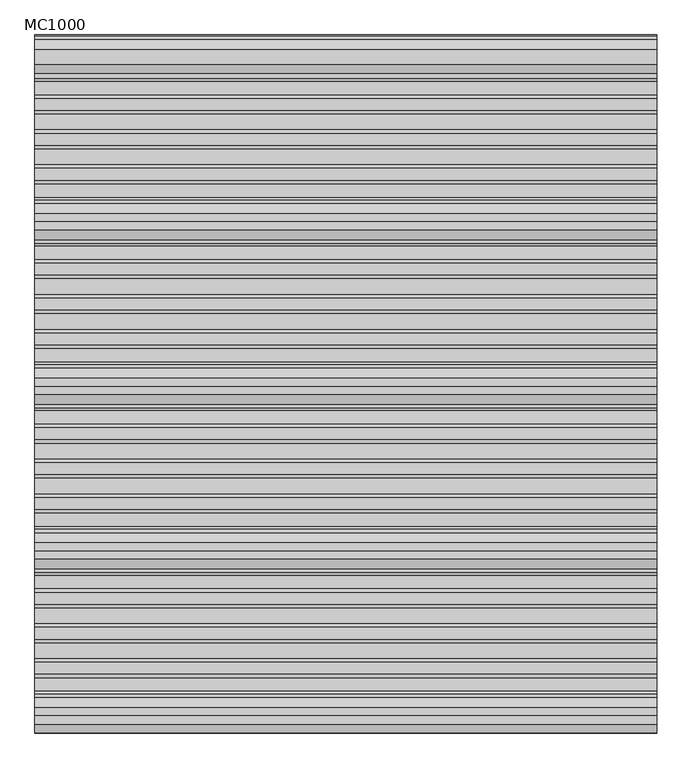
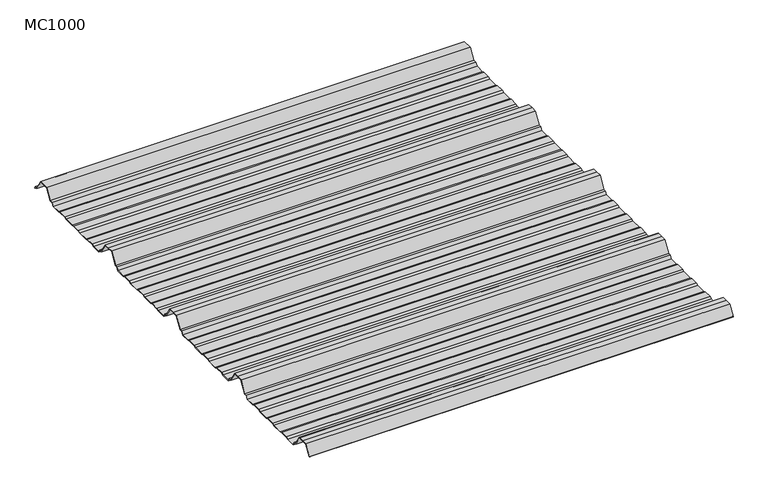
"""IFC4 building model written with IfcOpenShell, lengths in millimetres: beam geometry, MC1000."""

from ifc_helpers import new_model, si_unit, point, frame, frame_2d, origin, place, context, project, spatial, polyline, circle_curve, trimmed, segment, composite_curve, outline, extrude, source, transform, mapped, element, save


def mc1000_c13113bc(model_context):
    return source(origin(), model_context, "Body", "SweptSolid", [
        extrude(outline(composite_curve([segment(polyline([(-187.0338322, -23.7896472), (-192.5, -25.7896478), (-213.5, -25.7896478), (-217.6210251, -19.1370213), (-222.9746775, -19.1370213), (-238.0568616, 5.2103522), (-250.0, 5.2103522), (-261.9431384, 5.2103522), (-277.0253225, -19.1370213), (-282.3789749, -19.1370213), (-286.5, -25.7896478), (-307.5, -25.7896478), (-312.9661678, -23.7896476), (-330.9151087, -23.7896476), (-336.3812767, -25.7896478), (-360.5593616, -25.7896478), (-366.0255296, -23.7896476), (-383.97447, -23.7896476), (-389.4406384, -25.7896478), (-413.6187233, -25.7896478), (-419.0848913, -23.7896476), (-437.0338322, -23.7896476), (-442.5, -25.7896478), (-463.5, -25.7896478), (-467.6210251, -19.1370213), (-472.9746775, -19.1370213), (-488.0568616, 5.2103522), (-500.0, 5.2103522), (-511.9431384, 5.2103522), (-527.0253225, -19.1370213), (-532.3789749, -19.1370213), (-536.5, -25.7896478), (-557.5, -25.7896478), (-562.9661678, -23.789648), (-580.9151087, -23.789648), (-586.3812767, -25.7896482), (-610.5593616, -25.7896482), (-616.0255296, -23.7896476), (-633.97447, -23.7896476), (-639.4406384, -25.7896478), (-663.6187233, -25.7896478), (-669.0848913, -23.7896476), (-687.0338322, -23.7896476), (-692.5, -25.7896478), (-713.5, -25.7896478), (-717.6210251, -19.1370213), (-722.9746775, -19.1370213), (-738.0568616, 5.2103522), (-750.0, 5.2103522), (-761.9431384, 5.2103522), (-777.0253225, -19.1370213), (-782.3789749, -19.1370213), (-786.5, -25.7896478), (-807.5, -25.7896478), (-812.9661678, -23.7896476), (-830.9151087, -23.7896476), (-836.3812767, -25.7896478), (-860.5593616, -25.7896478), (-866.0255296, -23.7896476), (-883.97447, -23.7896476), (-889.4406384, -25.7896478), (-913.6187233, -25.7896478), (-919.0848913, -23.7896476), (-937.0338322, -23.7896476), (-942.5, -25.7896478), (-963.5, -25.7896478), (-967.6210251, -19.1370213), (-972.9746775, -19.1370213), (-988.0568616, 5.2103522), (-1000.0, 5.2103522), (-1011.9431384, 5.2103522), (-1025.3430666, -16.4213329)]), True, "CONTINUOUS"), segment(trimmed(circle_curve(frame_2d((-1025.768121, -16.1580294)), 0.5), [point((-1025.3430666, -16.4213329))], [point((-1026.1931754, -15.8947259))], False, "CARTESIAN"), True, "CONTINUOUS"), segment(polyline([(-1026.1931754, -15.8947259), (-1012.5, 6.2103522), (-1000.0, 6.2103522), (-987.5, 6.2103522), (-972.4178159, -18.1370213), (-967.0641635, -18.1370213), (-962.9431384, -24.7896478), (-942.6771992, -24.7896478), (-937.2110314, -22.7896476), (-918.9076926, -22.7896476), (-913.4415242, -24.7896478), (-889.6178376, -24.7896478), (-884.1516696, -22.7896478), (-865.8483309, -22.7896478), (-860.3821624, -24.7896478), (-836.5584758, -24.7896478), (-831.0923074, -22.7896476), (-812.7889686, -22.7896476), (-807.3228008, -24.7896478), (-787.0568616, -24.7896478), (-782.9358365, -18.1370213), (-777.5821841, -18.1370213), (-762.5, 6.2103522), (-750.0, 6.2103522), (-737.5, 6.2103522), (-722.4178159, -18.1370213), (-717.0641635, -18.1370213), (-712.9431384, -24.7896478), (-692.6771992, -24.7896478), (-687.2110314, -22.7896476), (-668.9076926, -22.7896476), (-663.4415242, -24.7896478), (-639.6178376, -24.7896478), (-634.1516696, -22.7896478), (-615.8483309, -22.7896478), (-610.3821624, -24.7896482), (-586.5584758, -24.7896482), (-581.0923074, -22.789648), (-562.7889686, -22.789648), (-557.3228008, -24.7896478), (-537.0568616, -24.7896478), (-532.9358365, -18.1370213), (-527.5821841, -18.1370213), (-512.5, 6.2103522), (-500.0, 6.2103522), (-487.5, 6.2103522), (-472.4178159, -18.1370213), (-467.0641635, -18.1370213), (-462.9431384, -24.7896478), (-442.6771992, -24.7896478), (-437.2110314, -22.7896476), (-418.9076926, -22.7896476), (-413.4415242, -24.7896478), (-389.6178376, -24.7896478), (-384.1516696, -22.7896478), (-365.8483309, -22.7896478), (-360.3821624, -24.7896478), (-336.5584758, -24.7896478), (-331.0923074, -22.7896476), (-312.7889686, -22.7896476), (-307.3228008, -24.7896478), (-287.0568616, -24.7896478), (-282.9358365, -18.1370213), (-277.5821841, -18.1370213), (-262.5, 6.2103522), (-250.0, 6.2103522), (-237.5, 6.2103522), (-222.4178159, -18.1370213), (-217.0641635, -18.1370213), (-212.9431384, -24.7896478), (-192.6771992, -24.7896478), (-187.2110314, -22.7896472), (-168.9076926, -22.7896472), (-163.4415242, -24.7896475), (-139.6178376, -24.7896475), (-134.1516696, -22.7896474), (-115.8483309, -22.7896474), (-110.3821624, -24.7896475), (-86.5584758, -24.7896475), (-81.0923074, -22.7896476), (-62.7889686, -22.7896476), (-57.3228008, -24.7896478), (-37.0568616, -24.7896478), (-32.9358365, -18.1370213), (-25.2295442, -18.1370213), (-11.3862768, 4.2103522), (11.3862768, 4.2103522), (26.4684609, -20.1370213), (31.8221133, -20.1370213), (33.8767469, -23.4538441)]), True, "CONTINUOUS"), segment(trimmed(circle_curve(frame_2d((33.4516925, -23.7171476)), 0.5), [point((33.8767469, -23.4538441))], [point((33.0266381, -23.9804511))], False, "CARTESIAN"), True, "CONTINUOUS"), segment(polyline([(33.0266381, -23.9804511), (31.2652517, -21.1370213), (25.9115993, -21.1370213), (10.8294152, 3.2103522), (-10.8294152, 3.2103522), (-24.6726825, -19.1370213), (-32.3789749, -19.1370213), (-36.5, -25.7896478), (-57.5, -25.7896478), (-62.9661678, -23.7896476), (-80.9151087, -23.7896476), (-86.3812767, -25.7896475), (-110.5593616, -25.7896475), (-116.0255296, -23.7896472), (-133.97447, -23.7896472), (-139.4406384, -25.7896475), (-163.6187233, -25.7896475), (-169.0848913, -23.7896472), (-187.0338322, -23.7896472)]), True, "CONTINUOUS")], self_intersect=False)), frame((-472.5002337, 0.0, 0.0), z_axis=(1.0, 0.0, 0.0), x_axis=(0.0, 1.0, 0.0)), (0.0, 0.0, 1.0), 945.0004675),
    ])


if __name__ == "__main__":
    model = new_model("IFC4")
    model_context = context("Model", 3, world=origin())
    ifc_project = project(units=[si_unit("LENGTHUNIT", "METRE", prefix="MILLI")], contexts=[model_context])
    site = spatial("IfcSite", under=ifc_project)
    building = spatial("IfcBuilding", under=site)
    placement = place(None, origin())
    mc1000_shape = mc1000_c13113bc(model_context)
    element("IfcBeam", 1, ObjectType="MC1000", at=placement, inside=building, context=model_context, shape_type="MappedRepresentation", body=[
        mapped(mc1000_shape, transform((0.0, 0.0, 0.0), x_axis=(1.0, 0.0, 0.0), y_axis=(0.0, 1.0, 0.0), z_axis=(0.0, 0.0, 1.0))),
    ])
    save(model, "model.ifc")
